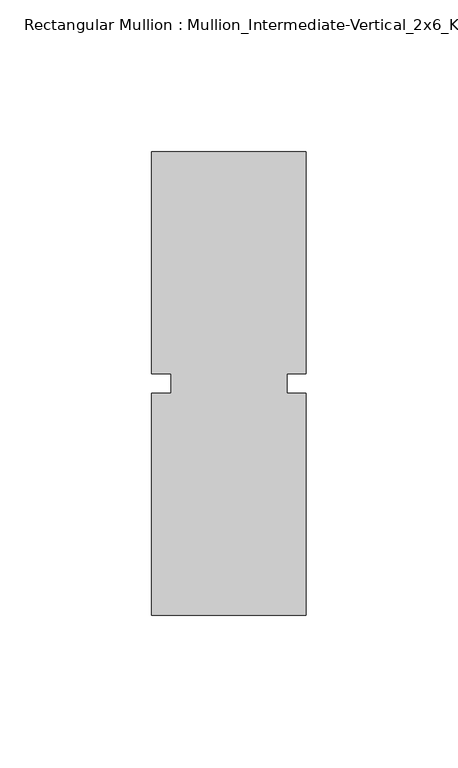
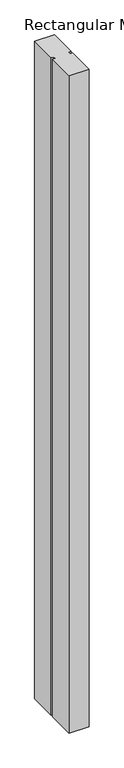
"""IFC4 building model written with IfcOpenShell, lengths in millimetres: member geometry, Rectangular Mullion : Mullion_Intermediate-Vertical_2x6_Kawneer."""

from ifc_helpers import new_model, si_unit, frame, origin, place, context, project, spatial, polyline, outline, extrude, source, transform, mapped, element, save


def rectangular_mullion_mullion_intermediate_vertical_2x6_80e0b5b1(model_context):
    return source(origin(), model_context, "Body", "SweptSolid", [
        extrude(outline(polyline([(25.4, -76.2), (-25.4, -76.2), (-25.4, -3.175), (-19.05, -3.175), (-19.05, 3.175), (-25.4, 3.175), (-25.4, 76.2), (25.4, 76.2), (25.4, 3.175), (19.05, 3.175), (19.05, -3.175), (25.4, -3.175), (25.4, -76.2)])), frame((0.0, 0.0, -1778.0), z_axis=(0.0, 0.0, 1.0), x_axis=(1.0, 0.0, 0.0)), (0.0, 0.0, 1.0), 1778.0),
    ])


if __name__ == "__main__":
    model = new_model("IFC4")
    model_context = context("Model", 3, world=origin())
    ifc_project = project(units=[si_unit("LENGTHUNIT", "METRE", prefix="MILLI")], contexts=[model_context])
    site = spatial("IfcSite", under=ifc_project)
    building = spatial("IfcBuilding", under=site)
    placement = place(None, origin())
    rectangular_mullion_mullion_intermediate_vertical_2x6_shape = rectangular_mullion_mullion_intermediate_vertical_2x6_80e0b5b1(model_context)
    element("IfcMember", 1, ObjectType="Rectangular Mullion : Mullion_Intermediate-Vertical_2x6_Kawneer", at=placement, inside=building, context=model_context, shape_type="MappedRepresentation", body=[
        mapped(rectangular_mullion_mullion_intermediate_vertical_2x6_shape, transform((0.0, 0.0, 0.0), x_axis=(1.0, 0.0, 0.0), y_axis=(0.0, 1.0, 0.0), z_axis=(0.0, 0.0, 1.0))),
    ])
    save(model, "model.ifc")
